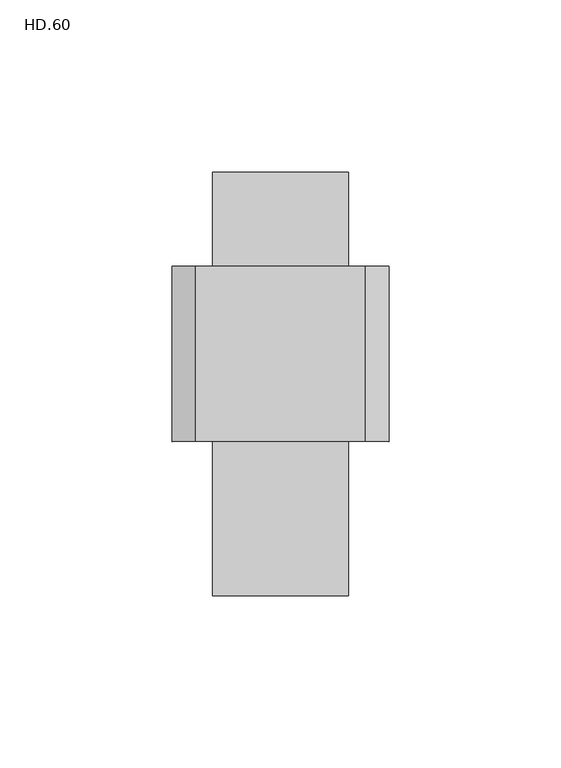
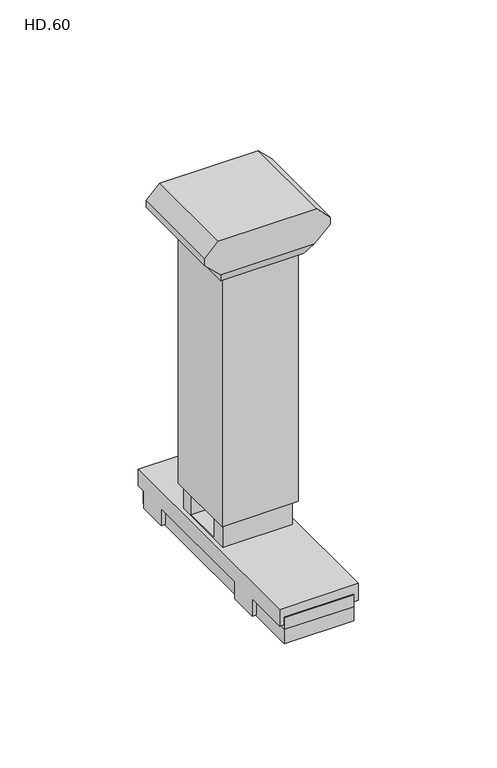
"""IFC4 building model written with IfcOpenShell, lengths in millimetres: proxy geometry, HD.60."""

from ifc_helpers import new_model, si_unit, frame, origin, origin_with_axes, place, context, project, spatial, polyline, outline, extrude, faceted_brep, source, transform, mapped, element, save


def hd_60_9929d8e4(model_context):
    return source(origin(), model_context, "Body", "SolidModel", [
        extrude(outline(polyline([(-19.05, 19.05), (19.05, 19.05), (19.05, -19.05), (-19.05, -19.05), (-19.05, 19.05)]), holes=[polyline([(-17.399, 17.399), (-17.399, -17.399), (17.399, -17.399), (17.399, 17.399), (-17.399, 17.399)])]), frame((0.0, 0.0, 31.75), z_axis=(0.0, 0.0, 1.0), x_axis=(1.0, 0.0, 0.0)), (0.0, 0.0, 1.0), 152.4),
        extrude(outline(polyline([(17.399, 72.7692489), (17.399, 13.88), (52.7089, 13.88), (52.7089, 7.53), (-70.1086606, 7.53), (-70.1086606, 13.88), (-16.701, 13.88), (-16.701, 70.1320224), (-9.081, 70.1320224), (-9.081, 19.1102704), (11.049, 19.1102704), (11.049, 72.7692489), (17.399, 72.7692489)])), frame((-17.399, 0.0, 0.0), z_axis=(1.0, 0.0, 0.0), x_axis=(0.0, 1.0, 0.0)), (0.0, 0.0, 1.0), 34.798),
        extrude(outline(polyline([(17.399, 52.7089), (17.399, -70.1086606), (-17.399, -70.1086606), (-17.399, 52.7089), (17.399, 52.7089)])), origin_with_axes(), (0.0, 0.0, 1.0), 7.53),
        faceted_brep([(23.403098, -25.4, 170.8192153), (31.4506428, -25.4, 178.4427679), (31.4506428, -25.4, 182.1736684), (24.7113112, -25.4, 188.913), (-24.7113112, -25.4, 188.913), (-31.4506428, -25.4, 182.1736684), (-31.4506428, -25.4, 178.4427679), (-23.403098, -25.4, 170.8192153), (-23.403098, 25.4, 170.8192153), (-31.4506428, 25.4, 178.4427679), (-31.4506428, 25.4, 182.1736684), (-24.7113112, 25.4, 188.913), (24.7113112, 25.4, 188.913), (31.4506428, 25.4, 182.1736684), (31.4506428, 25.4, 178.4427679), (23.403098, 25.4, 170.8192153), (20.86, 20.86, 163.913), (20.86, -20.86, 163.913), (-20.8604649, -20.86, 163.913), (-20.8604649, 20.86, 163.913)], [[[0, 1, 2, 3, 4, 5, 6, 7]], [[8, 9, 10, 11, 12, 13, 14, 15]], [[1, 0, 15, 14]], [[2, 1, 14, 13]], [[3, 2, 13, 12]], [[4, 3, 12, 11]], [[5, 4, 11, 10]], [[6, 5, 10, 9]], [[7, 6, 9, 8]], [[16, 17, 18, 19]], [[16, 19, 8, 15]], [[19, 18, 7, 8]], [[18, 17, 0, 7]], [[17, 16, 15, 0]]]),
        faceted_brep([(19.7786805, -70.1086606, 18.96), (19.7786805, -70.1086606, 10.07), (19.7786805, -46.1906955, 10.07), (19.7786805, -46.1906955, 1.0), (19.7786805, -31.0863205, 1.0), (19.7786805, -31.0863205, 10.07), (19.7786805, 32.8213205, 10.07), (19.7786805, 32.8213205, 1.0), (19.7786805, 47.9256955, 1.0), (19.7786805, 47.9256955, 10.07), (19.7786805, 52.7089, 10.07), (19.7786805, 52.7089, 18.96), (-19.7729575, -70.1086606, 18.96), (-19.7729575, 52.7089, 18.96), (-19.7729575, 52.7089, 10.07), (-19.7729575, 47.9256955, 10.07), (-19.7729575, 47.9256955, 1.0), (-19.7729575, 32.8213205, 1.0), (-19.7729575, 32.8213205, 10.07), (-19.7729575, -31.0863205, 10.07), (-19.7729575, -31.0863205, 1.0), (-19.7729575, -46.1906955, 1.0), (-19.7729575, -46.1906955, 10.07), (-19.7729575, -70.1086606, 10.07), (-17.399, -70.1086606, 10.07), (-17.399, -70.1086606, 13.88), (17.399, -70.1086606, 13.88), (17.399, -70.1086606, 10.07), (17.399, -46.1906955, 10.07), (-17.399, -46.1906955, 10.07), (17.399, 52.7089, 10.07), (17.399, 52.7089, 13.88), (-17.399, 52.7089, 13.88), (-17.399, 52.7089, 10.07), (17.399, 17.399, 18.96), (17.399, -16.701, 18.96), (-17.399, -16.701, 18.96), (-17.399, 17.399, 18.96), (17.399, -46.1906955, 7.53), (-17.399, -46.1906955, 7.53), (-17.399, -31.0863205, 10.07), (-17.399, -31.0863205, 7.53), (17.399, -31.0863205, 7.53), (17.399, -31.0863205, 10.07), (17.399, 32.8213205, 10.07), (-17.399, 32.8213205, 10.07), (17.399, 32.8213205, 7.53), (-17.399, 32.8213205, 7.53), (-17.399, 47.9256955, 10.07), (-17.399, 47.9256955, 7.53), (17.399, 47.9256955, 7.53), (17.399, 47.9256955, 10.07), (17.399, -16.701, 13.88), (17.399, 17.399, 13.88), (-17.399, -16.701, 13.88), (-17.399, 17.399, 13.88)], [[[0, 1, 2, 3, 4, 5, 6, 7, 8, 9, 10, 11]], [[12, 13, 14, 15, 16, 17, 18, 19, 20, 21, 22, 23]], [[1, 0, 12, 23, 24, 25, 26, 27]], [[2, 1, 27, 28]], [[23, 22, 29, 24]], [[11, 10, 30, 31, 32, 33, 14, 13]], [[0, 11, 13, 12], [34, 35, 36, 37]], [[3, 2, 28, 38, 39, 29, 22, 21]], [[4, 3, 21, 20]], [[5, 4, 20, 19, 40, 41, 42, 43]], [[6, 5, 43, 44]], [[19, 18, 45, 40]], [[7, 6, 44, 46, 47, 45, 18, 17]], [[8, 7, 17, 16]], [[9, 8, 16, 15, 48, 49, 50, 51]], [[10, 9, 51, 30]], [[15, 14, 33, 48]], [[42, 38, 28, 27, 26, 52, 35, 34, 53, 31, 30, 51, 50, 46, 44, 43]], [[26, 25, 54, 52]], [[32, 31, 53, 55]], [[39, 41, 40, 45, 47, 49, 48, 33, 32, 55, 37, 36, 54, 25, 24, 29]], [[53, 34, 37, 55]], [[35, 52, 54, 36]], [[41, 39, 38, 42]], [[49, 47, 46, 50]]]),
    ])


if __name__ == "__main__":
    model = new_model("IFC4")
    model_context = context("Model", 3, world=origin())
    ifc_project = project(units=[si_unit("LENGTHUNIT", "METRE", prefix="MILLI")], contexts=[model_context])
    site = spatial("IfcSite", under=ifc_project)
    building = spatial("IfcBuilding", under=site)
    placement = place(None, origin())
    hd_60_shape = hd_60_9929d8e4(model_context)
    element("IfcBuildingElementProxy", 1, Name="HD.60", ObjectType="HD.60", at=placement, inside=building, context=model_context, shape_type="MappedRepresentation", body=[
        mapped(hd_60_shape, transform((0.0, 0.0, 0.0), x_axis=(1.0, 0.0, 0.0), y_axis=(0.0, 1.0, 0.0), z_axis=(0.0, 0.0, 1.0))),
    ])
    save(model, "model.ifc")
